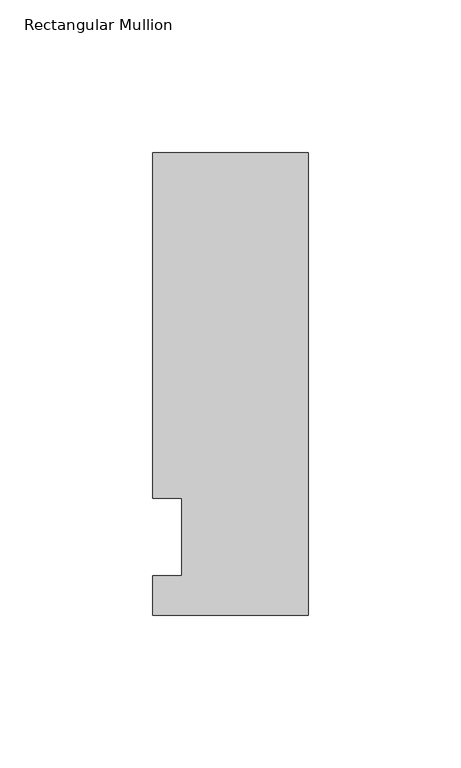
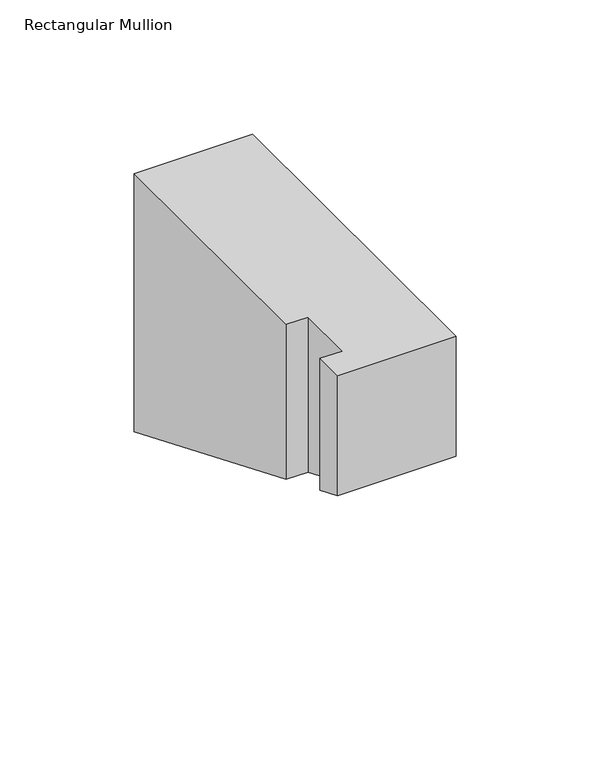
"""IFC4 building model written with IfcOpenShell, lengths in millimetres: member geometry, Rectangular Mullion."""

from ifc_helpers import new_model, si_unit, origin, place, context, project, spatial, faceted_brep, source, transform, mapped, element, save


def rectangular_mullion_77ad44a8(model_context):
    return source(origin(), model_context, "Body", "Brep", [
        faceted_brep([(-50.8, -25.5984375, 0.0), (0.0, -25.5984375, 0.0), (0.0, 125.6109375, 0.0), (-50.8, 125.6109375, 0.0), (-50.8, 12.7, 0.0), (-41.275, 12.7, 0.0), (-41.275, -12.7, 0.0), (-50.8, -12.7, 0.0), (-50.8, -25.5984375, -54.48428), (0.0, -25.5984375, -54.48428), (0.0, 125.6109375, -117.1172539), (-50.8, 125.6109375, -117.1172539), (-50.8, 12.7, -70.3480122), (-41.275, 12.7, -70.3480122), (-41.275, -12.7, -59.8269878), (-50.8, -12.7, -59.8269878)], [[[0, 1, 2, 3, 4, 5, 6, 7]], [[1, 0, 8, 9]], [[2, 1, 9, 10]], [[3, 2, 10, 11]], [[4, 3, 11, 12]], [[5, 4, 12, 13]], [[6, 5, 13, 14]], [[7, 6, 14, 15]], [[0, 7, 15, 8]], [[8, 15, 14, 13, 12, 11, 10, 9]]]),
    ])


if __name__ == "__main__":
    model = new_model("IFC4")
    model_context = context("Model", 3, world=origin())
    ifc_project = project(units=[si_unit("LENGTHUNIT", "METRE", prefix="MILLI")], contexts=[model_context])
    site = spatial("IfcSite", under=ifc_project)
    building = spatial("IfcBuilding", under=site)
    placement = place(None, origin())
    rectangular_mullion_shape = rectangular_mullion_77ad44a8(model_context)
    element("IfcMember", 1, ObjectType="Rectangular Mullion", at=placement, inside=building, context=model_context, shape_type="MappedRepresentation", body=[
        mapped(rectangular_mullion_shape, transform((0.0, 0.0, 0.0), x_axis=(1.0, 0.0, 0.0), y_axis=(0.0, 1.0, 0.0), z_axis=(0.0, 0.0, 1.0))),
    ])
    save(model, "model.ifc")
